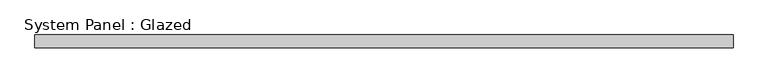
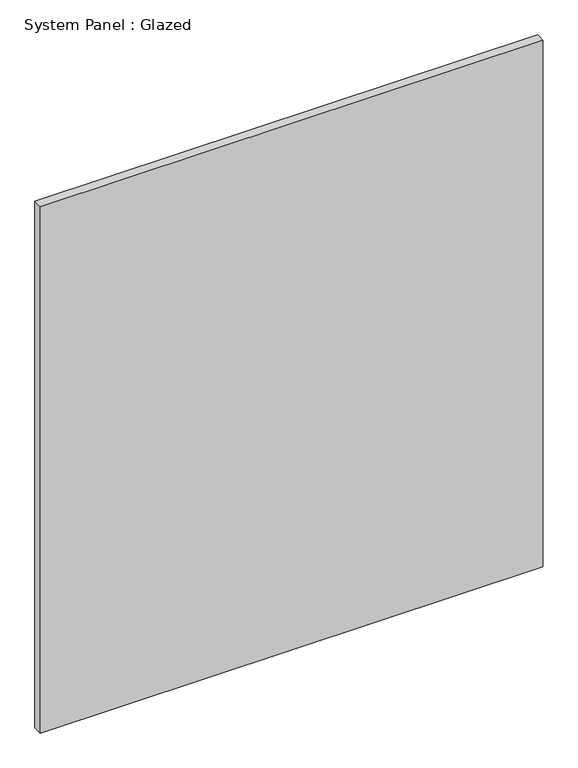
"""IFC4 building model written with IfcOpenShell, lengths in millimetres: plate geometry, System Panel : Glazed."""

from ifc_helpers import new_model, si_unit, origin, origin_with_axes, place, context, project, spatial, polyline, outline, extrude, source, transform, mapped, element, save


def system_panel_glazed_3439bb27(model_context):
    return source(origin(), model_context, "Body", "SweptSolid", [
        extrude(outline(polyline([(688.1245537, -44.45), (-688.1245537, -44.45), (-688.1245537, -19.05), (688.1245537, -19.05), (688.1245537, -44.45)])), origin_with_axes(), (0.0, 0.0, 1.0), 1524.0),
    ])


if __name__ == "__main__":
    model = new_model("IFC4")
    model_context = context("Model", 3, world=origin())
    ifc_project = project(units=[si_unit("LENGTHUNIT", "METRE", prefix="MILLI")], contexts=[model_context])
    site = spatial("IfcSite", under=ifc_project)
    building = spatial("IfcBuilding", under=site)
    placement = place(None, origin())
    system_panel_glazed_shape = system_panel_glazed_3439bb27(model_context)
    element("IfcPlate", 1, ObjectType="System Panel : Glazed", at=placement, inside=building, context=model_context, shape_type="MappedRepresentation", body=[
        mapped(system_panel_glazed_shape, transform((0.0, 0.0, 0.0), x_axis=(1.0, 0.0, 0.0), y_axis=(0.0, 1.0, 0.0), z_axis=(0.0, 0.0, 1.0))),
    ])
    save(model, "model.ifc")
